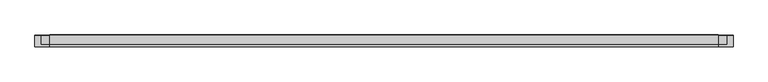
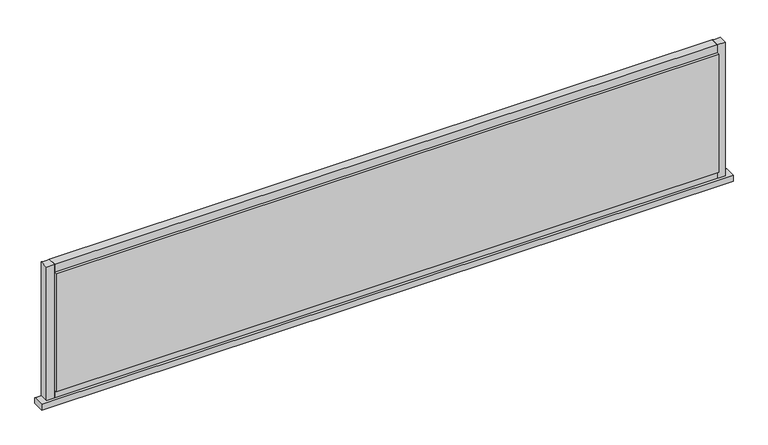
"""IFC4 building model written with IfcOpenShell, lengths in millimetres: plate geometry."""

from ifc_helpers import new_model, si_unit, point, frame, frame_2d, origin, origin_with_axes, place, context, project, spatial, polyline, circle_curve, trimmed, segment, composite_curve, outline, extrude, source, transform, mapped, element, save
from ifc_brep_helpers import plane_surface, cylinder_surface, advanced_brep


def plate_010e7179(model_context):
    return source(origin(), model_context, "Body", "SolidModel", [
        advanced_brep(
        [(837.186138, -14.0, 0.0), (837.186138, -14.0, -15.0), (837.186138, 12.3070793, -15.0), (837.186138, 13.8070793, -13.4999993), (837.186138, 13.8070793, -1.0002427), (837.186138, 12.8070793, -0.0002427), (-837.186138, -14.0, 0.0), (-837.186138, 12.8070793, 0.0), (-837.186138, 13.8070793, -1.0002427), (-837.186138, 13.8070793, -13.4999993), (-837.186138, 12.3070793, -14.9999993), (-837.186138, -14.0, -15.0)],
        [
            (0, 1),
            (1, 2),
            (2, 3, circle_curve(frame((837.186138, 12.3070793, -13.4999993), z_axis=(1.0, 0.0, 0.0), x_axis=(0.0, 1.0, 0.0)), 1.5)),
            (3, 4),
            (4, 5, circle_curve(frame((837.186138, 12.8070793, -1.0002427), z_axis=(1.0, 0.0, 0.0), x_axis=(0.0, 1.0, 0.0)), 1.0)),
            (5, 0),
            (6, 7),
            (7, 8, circle_curve(frame((-837.186138, 12.8070793, -1.0002427), z_axis=(-1.0, 0.0, 0.0), x_axis=(0.0, 1.0, 0.0)), 1.0)),
            (8, 9),
            (9, 10, circle_curve(frame((-837.186138, 12.3070793, -13.4999993), z_axis=(-1.0, 0.0, 0.0), x_axis=(0.0, 1.0, 0.0)), 1.5)),
            (10, 11),
            (11, 6),
            (0, 6),
            (11, 1),
            (10, 2),
            (5, 7),
            (9, 3),
            (8, 4),
        ],
        [
            plane_surface(frame((837.186138, -14.0, 0.0), z_axis=(1.0, 0.0, 0.0), x_axis=(0.0, 0.0, -1.0))),
            plane_surface(frame((-837.186138, -14.0, 0.0), z_axis=(-1.0, 0.0, 0.0), x_axis=(0.0, 0.0, 1.0))),
            plane_surface(frame((837.186138, -14.0, 0.0), z_axis=(0.0, -1.0, 0.0), x_axis=(-1.0, 0.0, 0.0))),
            plane_surface(frame((837.186138, -14.0, -15.0), z_axis=(0.0, 0.0, -1.0), x_axis=(-1.0, 0.0, 0.0))),
            plane_surface(frame((837.186138, 12.8070793, 0.0), z_axis=(0.0, 0.0, 1.0), x_axis=(-1.0, 0.0, 0.0))),
            cylinder_surface(frame((-837.186138, 12.3070793, -13.4999993), z_axis=(1.0, 0.0, 0.0), x_axis=(0.0, 1.0, 0.0)), 1.5),
            plane_surface(frame((837.186138, 13.8070793, -13.4999993), z_axis=(0.0, 1.0, 0.0), x_axis=(-1.0, 0.0, 0.0))),
            cylinder_surface(frame((-837.186138, 12.8070793, -1.0002427), z_axis=(1.0, 0.0, 0.0), x_axis=(0.0, 1.0, 0.0)), 1.0),
        ],
        [
            (0, [[1, 2, 3, 4, 5, 6]]),
            (1, [[7, 8, 9, 10, 11, 12]]),
            (2, [[-1, 13, -12, 14]]),
            (3, [[-2, -14, -11, 15]]),
            (4, [[-6, 16, -7, -13]]),
            (5, [[-3, -15, -10, 17]]),
            (6, [[-4, -17, -9, 18]]),
            (7, [[-5, -18, -8, -16]]),
        ],
    ),
        extrude(outline(polyline([(802.186138, 14.0), (802.186138, 8.0), (-802.186138, 8.0), (-802.186138, 14.0), (802.186138, 14.0)])), frame((0.0, 0.0, 20.0), z_axis=(0.0, 0.0, 1.0), x_axis=(1.0, 0.0, 0.0)), (0.0, 0.0, 1.0), 302.0919278),
        extrude(outline(polyline([(802.186138, -8.0), (802.186138, -14.0), (-802.186138, -14.0), (-802.186138, -8.0), (802.186138, -8.0)])), frame((0.0, 0.0, 20.0), z_axis=(0.0, 0.0, 1.0), x_axis=(1.0, 0.0, 0.0)), (0.0, 0.0, 1.0), 302.0919278),
        extrude(outline(composite_curve([segment(polyline([(13.499631, 0.0), (-8.0, 0.0), (-8.0, 20.0), (13.499631, 20.0)]), True, "CONTINUOUS"), segment(trimmed(circle_curve(frame_2d((45.6328576, 10.0)), 33.6532948), [point((13.499631, 20.0))], [point((13.499631, 0.0))], True, "CARTESIAN"), True, "CONTINUOUS")], self_intersect=False)), frame((-802.186138, 0.0, 0.0), z_axis=(1.0, 0.0, 0.0), x_axis=(0.0, 1.0, 0.0)), (0.0, 0.0, 1.0), 1604.3722759),
        extrude(outline(composite_curve([segment(trimmed(circle_curve(frame_2d((45.6328576, 332.0919278)), 33.6532948), [point((13.499631, 342.0919278))], [point((13.499631, 322.0919278))], True, "CARTESIAN"), True, "CONTINUOUS"), segment(polyline([(13.499631, 322.0919278), (-8.0, 322.0919278), (-8.0, 342.0919278), (13.499631, 342.0919278)]), True, "CONTINUOUS")], self_intersect=False)), frame((-802.186138, 0.0, 0.0), z_axis=(1.0, 0.0, 0.0), x_axis=(0.0, 1.0, 0.0)), (0.0, 0.0, 1.0), 1604.3722759),
        extrude(outline(composite_curve([segment(polyline([(822.186138, -8.0), (802.186138, -8.0), (802.186138, 13.5022002)]), True, "CONTINUOUS"), segment(trimmed(circle_curve(frame_2d((812.1126262, 45.5022747)), 33.5043271), [point((802.186138, 13.5022002))], [point((822.186138, 13.548178))], True, "CARTESIAN"), True, "CONTINUOUS"), segment(polyline([(822.186138, 13.548178), (822.186138, -8.0)]), True, "CONTINUOUS")], self_intersect=False)), origin_with_axes(), (0.0, 0.0, 1.0), 342.0919278),
        extrude(outline(composite_curve([segment(polyline([(-802.186138, -8.0), (-822.186138, -8.0), (-822.186138, 13.499631)]), True, "CONTINUOUS"), segment(trimmed(circle_curve(frame_2d((-812.186138, 45.6328576)), 33.6532948), [point((-822.186138, 13.499631))], [point((-802.186138, 13.499631))], True, "CARTESIAN"), True, "CONTINUOUS"), segment(polyline([(-802.186138, 13.499631), (-802.186138, -8.0)]), True, "CONTINUOUS")], self_intersect=False)), origin_with_axes(), (0.0, 0.0, 1.0), 342.0919278),
    ])


if __name__ == "__main__":
    model = new_model("IFC4")
    model_context = context("Model", 3, world=origin())
    ifc_project = project(units=[si_unit("LENGTHUNIT", "METRE", prefix="MILLI")], contexts=[model_context])
    site = spatial("IfcSite", under=ifc_project)
    building = spatial("IfcBuilding", under=site)
    placement = place(None, origin())
    plate_shape = plate_010e7179(model_context)
    element("IfcPlate", 1, at=placement, inside=building, context=model_context, shape_type="MappedRepresentation", body=[
        mapped(plate_shape, transform((0.0, 0.0, 0.0), x_axis=(1.0, 0.0, 0.0), y_axis=(0.0, 1.0, 0.0), z_axis=(0.0, 0.0, 1.0))),
    ])
    save(model, "model.ifc")
